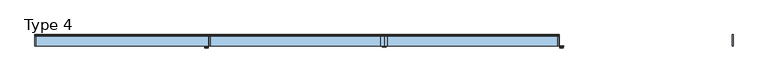
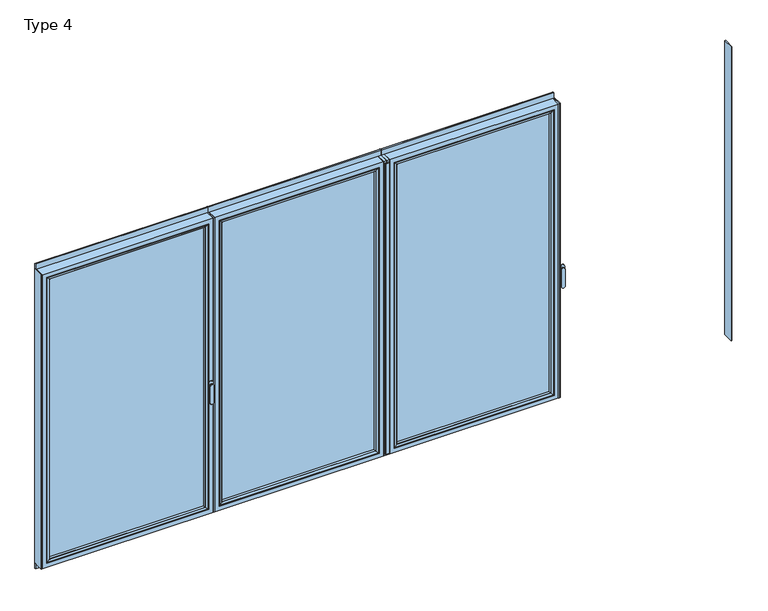
"""IFC4 building model written with IfcOpenShell, lengths in millimetres: window geometry, Type 4."""

from ifc_helpers import new_model, si_unit, point, frame, frame_2d, origin, place, context, project, spatial, polyline, circle_curve, ellipse_curve, trimmed, segment, composite_curve, outline, extrude, source, transform, mapped, element, save
from ifc_brep_helpers import plane_surface, cylinder_surface, extruded_surface, advanced_brep


def type_4_ae5d6732(model_context):
    return source(origin(), model_context, "Body", "SolidModel", [
        extrude(outline(polyline([(-1252.9999629, 20.0), (-1246.9999629, 20.0), (-1246.9999629, -60.0), (-1252.9999629, -60.0), (-1252.9999629, 20.0)])), frame((0.0, 0.0, 66.0), z_axis=(0.0, 0.0, 1.0), x_axis=(1.0, 0.0, 0.0)), (0.0, 0.0, 1.0), 2258.0),
        extrude(outline(polyline([(3.71e-05, 20.0), (3.71e-05, -60.0), (-22.4999629, -60.0), (-22.4999629, 20.0), (3.71e-05, 20.0)])), frame((0.0, 0.0, 66.0), z_axis=(0.0, 0.0, 1.0), x_axis=(1.0, 0.0, 0.0)), (0.0, 0.0, 1.0), 2258.0),
        advanced_brep(
        [(-1246.9999629, -60.0, 2324.0), (-1246.9999629, 20.0, 2324.0), (-1246.9999629, 20.0, 66.0), (-1246.9999629, -60.0, 66.0), (-22.4999629, 20.0, 66.0), (-22.4999629, -60.0, 66.0), (-22.4999629, 20.0, 2324.0), (-67.9995921, 20.0, 111.4996293), (-67.9995921, 20.0, 2278.5003707), (-1201.5003336, 20.0, 2278.5003707), (-1201.5003336, 20.0, 111.4996293), (-22.4999629, -60.0, 2324.0), (-1214.9999629, -60.0, 98.0), (-1214.9999629, -60.0, 2292.0), (-54.4999629, -60.0, 2292.0), (-54.4999629, -60.0, 98.0), (-1214.9999629, 3.9999997, 2292.0), (-1214.9999629, 3.9999997, 98.0), (-54.4999629, 3.9999997, 98.0), (-54.4999629, 3.9999997, 2292.0), (-1196.9999509, 3.9999997, 116.000012), (-1196.9999509, 3.9999997, 2273.999988), (-72.4999748, 3.9999997, 2273.999988), (-72.4999748, 3.9999997, 116.000012), (-1196.9999509, 15.4995565, 2273.999988), (-1196.9999509, 15.4995565, 116.000012), (-72.4999748, 15.4995565, 116.000012), (-72.4999748, 15.4995565, 2273.999988)],
        [
            (0, 1),
            (1, 2),
            (2, 3),
            (3, 0),
            (2, 4),
            (4, 5),
            (5, 3),
            (1, 6),
            (6, 4),
            (7, 8),
            (8, 9),
            (9, 10),
            (10, 7),
            (6, 11),
            (11, 5),
            (11, 0),
            (12, 13),
            (13, 14),
            (14, 15),
            (15, 12),
            (16, 13),
            (12, 17),
            (17, 16),
            (15, 18),
            (18, 17),
            (14, 19),
            (19, 18),
            (19, 16),
            (20, 21),
            (21, 22),
            (22, 23),
            (23, 20),
            (24, 21),
            (20, 25),
            (25, 24),
            (23, 26),
            (26, 25),
            (22, 27),
            (27, 26),
            (10, 25, ellipse_curve(frame((-1201.5003336, 15.4995565, 111.4996293), z_axis=(0.7071067811865475, 0.0, -0.7071067811865475), x_axis=(-0.7071067811865476, 0.0, -0.7071067811865474)), 6.3645023, 4.5003827)),
            (26, 7, ellipse_curve(frame((-67.9995921, 15.4995565, 111.4996293), z_axis=(-0.7071067811865475, 0.0, -0.7071067811865475), x_axis=(-0.7071067811865476, 0.0, 0.7071067811865474)), 6.3645023, 4.5003827)),
            (9, 24, ellipse_curve(frame((-1201.5003336, 15.4995565, 2278.5003707), z_axis=(-0.7071067811865475, 0.0, -0.7071067811865475), x_axis=(-0.7071067811865474, 0.0, 0.7071067811865476)), 6.3645023, 4.5003827)),
            (27, 8, ellipse_curve(frame((-67.9995921, 15.4995565, 2278.5003707), z_axis=(0.7071067811865475, 0.0, -0.7071067811865475), x_axis=(-0.7071067811865474, 0.0, -0.7071067811865476)), 6.3645023, 4.5003827)),
            (24, 27),
        ],
        [
            plane_surface(frame((-1246.9999629, 20.0, 2324.0), z_axis=(-1.0, 0.0, 0.0), x_axis=(0.0, 0.0, -1.0))),
            plane_surface(frame((-1246.9999629, 20.0, 66.0), z_axis=(0.0, 0.0, -1.0), x_axis=(1.0, 0.0, 0.0))),
            plane_surface(frame((-1201.5003336, 20.0, 2278.5003707), z_axis=(0.0, 1.0, 0.0), x_axis=(0.0, 0.0, -1.0))),
            plane_surface(frame((-22.4999629, 20.0, 66.0), z_axis=(1.0, 0.0, 0.0), x_axis=(0.0, 0.0, 1.0))),
            plane_surface(frame((-1246.9999629, -60.0, 2324.0), z_axis=(0.0, -1.0, 0.0), x_axis=(0.0, 0.0, -1.0))),
            plane_surface(frame((-1214.9999629, -60.0, 2292.0), z_axis=(1.0, 0.0, 0.0), x_axis=(0.0, 0.0, -1.0))),
            plane_surface(frame((-1214.9999629, -60.0, 98.0), z_axis=(0.0, 0.0, 1.0), x_axis=(1.0, 0.0, 0.0))),
            plane_surface(frame((-54.4999629, -60.0, 98.0), z_axis=(-1.0, 0.0, 0.0), x_axis=(0.0, 0.0, 1.0))),
            plane_surface(frame((-1214.9999629, 3.9999997, 2292.0), z_axis=(0.0, -1.0, 0.0), x_axis=(0.0, 0.0, -1.0))),
            plane_surface(frame((-1196.9999509, 3.9999997, 2273.999988), z_axis=(1.0, 0.0, 0.0), x_axis=(0.0, 0.0, -1.0))),
            plane_surface(frame((-1196.9999509, 3.9999997, 116.000012), z_axis=(0.0, 0.0, 1.0), x_axis=(1.0, 0.0, 0.0))),
            plane_surface(frame((-72.4999748, 3.9999997, 116.000012), z_axis=(-1.0, 0.0, 0.0), x_axis=(0.0, 0.0, 1.0))),
            cylinder_surface(frame((-1252.9999629, 15.4995565, 111.4996293), z_axis=(-1.0, 0.0, 0.0), x_axis=(0.0, -1.0, 0.0)), 4.5003827),
            cylinder_surface(frame((-1201.5003336, 15.4995565, 2330.0), z_axis=(0.0, 0.0, 1.0), x_axis=(0.0, -1.0, 0.0)), 4.5003827),
            cylinder_surface(frame((-67.9995921, 15.4995565, 60.0), z_axis=(0.0, 0.0, -1.0), x_axis=(0.0, -1.0, 0.0)), 4.5003827),
            plane_surface(frame((-22.4999629, 20.0, 2324.0), z_axis=(0.0, 0.0, 1.0), x_axis=(-1.0, 0.0, 0.0))),
            plane_surface(frame((-54.4999629, -60.0, 2292.0), z_axis=(0.0, 0.0, -1.0), x_axis=(-1.0, 0.0, 0.0))),
            plane_surface(frame((-72.4999748, 3.9999997, 2273.999988), z_axis=(0.0, 0.0, -1.0), x_axis=(-1.0, 0.0, 0.0))),
            cylinder_surface(frame((-16.4999629, 15.4995565, 2278.5003707), z_axis=(1.0, 0.0, 0.0), x_axis=(0.0, -1.0, 0.0)), 4.5003827),
        ],
        [
            (0, [[1, 2, 3, 4]]),
            (1, [[-3, 5, 6, 7]]),
            (2, [[-2, 8, 9, -5], [10, 11, 12, 13]]),
            (3, [[-6, -9, 14, 15]]),
            (4, [[-15, 16, -4, -7], [17, 18, 19, 20]]),
            (5, [[21, -17, 22, 23]]),
            (6, [[-22, -20, 24, 25]]),
            (7, [[-24, -19, 26, 27]]),
            (8, [[-27, 28, -23, -25], [29, 30, 31, 32]]),
            (9, [[33, -29, 34, 35]]),
            (10, [[-34, -32, 36, 37]]),
            (11, [[-36, -31, 38, 39]]),
            (12, [[40, -37, 41, -13]]),
            (13, [[42, -35, -40, -12]]),
            (14, [[-41, -39, 43, -10]]),
            (15, [[-14, -8, -1, -16]]),
            (16, [[-26, -18, -21, -28]]),
            (17, [[-38, -30, -33, 44]]),
            (18, [[-43, -44, -42, -11]]),
        ],
    ),
        extrude(outline(polyline([(-1214.9996457, 3.9999997), (-54.50028, 3.9999997), (-54.50028, -34.0000003), (-1214.9996457, -34.0000003), (-1214.9996457, 3.9999997)])), frame((0.0, 0.0, 98.0003172), z_axis=(0.0, 0.0, 1.0), x_axis=(1.0, 0.0, 0.0)), (0.0, 0.0, 1.0), 2193.9993657),
        advanced_brep(
        [(-76.4998528, -54.5552044, 2270.0001101), (-76.4998528, -34.0000003, 2270.0001101), (-76.4998528, -34.0000003, 119.9998899), (-76.4998528, -54.5552044, 119.9998899), (-54.50028, -34.0000003, 2291.9996828), (-54.50028, -34.0000003, 98.0003172), (-1214.9996457, -34.0000003, 98.0003172), (-1214.9996457, -34.0000003, 2291.9996828), (-1193.000073, -34.0000003, 2270.0001101), (-1193.000073, -34.0000003, 119.9998899), (-1193.000073, -54.5552044, 119.9998899), (-75.7903094, -55.8045072, 2270.7096535), (-75.7903094, -55.8045072, 119.2903465), (-1193.7096164, -55.8045072, 119.2903465), (-60.500219, -60.0, 2285.9997439), (-60.500219, -60.0, 104.0002561), (-1208.9997067, -60.0, 104.0002561), (-1214.9996457, -60.0, 2291.9996828), (-1214.9996457, -60.0, 98.0003172), (-54.50028, -60.0, 98.0003172), (-54.50028, -60.0, 2291.9996828), (-1208.9997067, -60.0, 2285.9997439), (-1193.000073, -54.5552044, 2270.0001101), (-1193.7096164, -55.8045072, 2270.7096535)],
        [
            (0, 1),
            (1, 2),
            (2, 3),
            (3, 0),
            (4, 5),
            (5, 6),
            (6, 7),
            (7, 4),
            (8, 9),
            (9, 2),
            (1, 8),
            (9, 10),
            (10, 3),
            (11, 0, ellipse_curve(frame((-75.0452488, -54.5552044, 2271.4547141), z_axis=(0.7071067811865475, 0.0, -0.7071067811865475), x_axis=(0.7071067811865474, 0.0, 0.7071067811865476)), 2.0571207, 1.454604)),
            (3, 12, ellipse_curve(frame((-75.0452488, -54.5552044, 118.5452859), z_axis=(0.7071067811865475, 0.0, 0.7071067811865475), x_axis=(-0.7071067811865474, 0.0, 0.7071067811865476)), 2.0571207, 1.454604)),
            (12, 11),
            (10, 13, ellipse_curve(frame((-1194.4546769, -54.5552044, 118.5452859), z_axis=(0.7071067811865475, 0.0, -0.7071067811865475), x_axis=(0.7071067811865476, 0.0, 0.7071067811865474)), 2.0571207, 1.454604)),
            (13, 12),
            (14, 11, ellipse_curve(frame((-60.5641546, -30.2735922, 2285.9358083), z_axis=(0.7071067811865475, 0.0, -0.7071067811865475), x_axis=(0.7071067811865474, 0.0, 0.7071067811865476)), 42.0395863, 29.7264765)),
            (12, 15, ellipse_curve(frame((-60.5641546, -30.2735922, 104.0641917), z_axis=(0.7071067811865475, 0.0, 0.7071067811865475), x_axis=(-0.7071067811865474, 0.0, 0.7071067811865476)), 42.0395863, 29.7264765)),
            (15, 14),
            (13, 16, ellipse_curve(frame((-1208.9357711, -30.2735922, 104.0641917), z_axis=(0.7071067811865475, 0.0, -0.7071067811865475), x_axis=(0.7071067811865476, 0.0, 0.7071067811865474)), 42.0395863, 29.7264765)),
            (16, 15),
            (17, 18),
            (18, 19),
            (19, 20),
            (20, 17),
            (16, 21),
            (21, 14),
            (4, 20),
            (19, 5),
            (18, 6),
            (8, 22),
            (22, 10),
            (22, 23, ellipse_curve(frame((-1194.4546769, -54.5552044, 2271.4547141), z_axis=(-0.7071067811865475, 0.0, -0.7071067811865475), x_axis=(0.7071067811865474, 0.0, -0.7071067811865476)), 2.0571207, 1.454604)),
            (23, 13),
            (23, 21, ellipse_curve(frame((-1208.9357711, -30.2735922, 2285.9358083), z_axis=(-0.7071067811865475, 0.0, -0.7071067811865475), x_axis=(0.7071067811865474, 0.0, -0.7071067811865476)), 42.0395863, 29.7264765)),
            (17, 7),
            (0, 22),
            (11, 23),
        ],
        [
            plane_surface(frame((-76.4998528, -34.0000003, 2270.0001101), z_axis=(-1.0, 0.0, 0.0), x_axis=(0.0, 0.0, -1.0))),
            plane_surface(frame((-1214.9996457, -34.0000003, 98.0003172), z_axis=(0.0, 1.0, 0.0), x_axis=(0.0, 0.0, 1.0))),
            plane_surface(frame((-76.4998528, -34.0000003, 119.9998899), z_axis=(0.0, 0.0, 1.0), x_axis=(-1.0, 0.0, 0.0))),
            cylinder_surface(frame((-75.0452488, -54.5552044, 2273.999988), z_axis=(0.0, 0.0, 1.0), x_axis=(1.0, 0.0, 0.0)), 1.454604),
            cylinder_surface(frame((-72.4999748, -54.5552044, 118.5452859), z_axis=(1.0, 0.0, 0.0), x_axis=(0.0, 0.0, -1.0)), 1.454604),
            cylinder_surface(frame((-60.5641546, -30.2735922, 2273.999988), z_axis=(0.0, 0.0, 1.0), x_axis=(1.0, 0.0, 0.0)), 29.7264765),
            cylinder_surface(frame((-72.4999748, -30.2735922, 104.0641917), z_axis=(1.0, 0.0, 0.0), x_axis=(0.0, 0.0, -1.0)), 29.7264765),
            plane_surface(frame((-1208.9997067, -60.0, 104.0002561), z_axis=(0.0, -1.0, 0.0), x_axis=(0.0, 0.0, 1.0))),
            plane_surface(frame((-54.50028, -60.0, 2291.9996828), z_axis=(1.0, 0.0, 0.0), x_axis=(0.0, 0.0, -1.0))),
            plane_surface(frame((-54.50028, -60.0, 98.0003172), z_axis=(0.0, 0.0, -1.0), x_axis=(-1.0, 0.0, 0.0))),
            plane_surface(frame((-1193.000073, -34.0000003, 119.9998899), z_axis=(1.0, 0.0, 0.0), x_axis=(0.0, 0.0, 1.0))),
            cylinder_surface(frame((-1194.4546769, -54.5552044, 116.000012), z_axis=(0.0, 0.0, -1.0), x_axis=(-1.0, 0.0, 0.0)), 1.454604),
            cylinder_surface(frame((-1208.9357711, -30.2735922, 116.000012), z_axis=(0.0, 0.0, -1.0), x_axis=(-1.0, 0.0, 0.0)), 29.7264765),
            plane_surface(frame((-1214.9996457, -60.0, 98.0003172), z_axis=(-1.0, 0.0, 0.0), x_axis=(0.0, 0.0, 1.0))),
            plane_surface(frame((-1193.000073, -34.0000003, 2270.0001101), z_axis=(0.0, 0.0, -1.0), x_axis=(1.0, 0.0, 0.0))),
            cylinder_surface(frame((-1196.9999509, -54.5552044, 2271.4547141), z_axis=(-1.0, 0.0, 0.0), x_axis=(0.0, 0.0, 1.0)), 1.454604),
            cylinder_surface(frame((-1196.9999509, -30.2735922, 2285.9358083), z_axis=(-1.0, 0.0, 0.0), x_axis=(0.0, 0.0, 1.0)), 29.7264765),
            plane_surface(frame((-1214.9996457, -60.0, 2291.9996828), z_axis=(0.0, 0.0, 1.0), x_axis=(1.0, 0.0, 0.0))),
        ],
        [
            (0, [[1, 2, 3, 4]]),
            (1, [[5, 6, 7, 8], [9, 10, -2, 11]]),
            (2, [[-3, -10, 12, 13]]),
            (3, [[14, -4, 15, 16]]),
            (4, [[-15, -13, 17, 18]]),
            (5, [[19, -16, 20, 21]]),
            (6, [[-20, -18, 22, 23]]),
            (7, [[24, 25, 26, 27], [-21, -23, 28, 29]]),
            (8, [[30, -26, 31, -5]]),
            (9, [[-31, -25, 32, -6]]),
            (10, [[-12, -9, 33, 34]]),
            (11, [[-17, -34, 35, 36]]),
            (12, [[-22, -36, 37, -28]]),
            (13, [[-32, -24, 38, -7]]),
            (14, [[-33, -11, -1, 39]]),
            (15, [[-35, -39, -14, 40]]),
            (16, [[-37, -40, -19, -29]]),
            (17, [[-38, -27, -30, -8]]),
        ],
    ),
        extrude(outline(composite_curve([segment(polyline([(20.0, 2362.5), (20.0, 2324.0), (10.0, 2324.0), (10.0, 2365.0), (17.5, 2365.0)]), True, "CONTINUOUS"), segment(trimmed(circle_curve(frame_2d((17.5, 2362.5)), 2.5), [point((17.5, 2365.0))], [point((20.0, 2362.5))], False, "CARTESIAN"), True, "CONTINUOUS")], self_intersect=False)), frame((-1252.9999629, 0.0, 0.0), z_axis=(1.0, 0.0, 0.0), x_axis=(0.0, 1.0, 0.0)), (0.0, 0.0, 1.0), 1253.0),
        extrude(outline(composite_curve([segment(trimmed(circle_curve(frame_2d((17.5, 27.5)), 2.5), [point((20.0, 27.5))], [point((17.5, 25.0))], False, "CARTESIAN"), True, "CONTINUOUS"), segment(polyline([(17.5, 25.0), (10.0, 25.0), (10.0, 66.0), (20.0, 66.0), (20.0, 27.5)]), True, "CONTINUOUS")], self_intersect=False)), frame((-1252.9999629, 0.0, 0.0), z_axis=(1.0, 0.0, 0.0), x_axis=(0.0, 1.0, 0.0)), (0.0, 0.0, 1.0), 1253.0),
        extrude(outline(composite_curve([segment(polyline([(17.5000124, -60.0), (17.5000124, -67.5)]), True, "CONTINUOUS"), segment(trimmed(circle_curve(frame_2d((15.0000124, -67.5)), 2.5), [point((17.5000124, -67.5))], [point((15.0000124, -70.0))], False, "CARTESIAN"), True, "CONTINUOUS"), segment(polyline([(15.0000124, -70.0), (-10.9999876, -70.0)]), True, "CONTINUOUS"), segment(trimmed(circle_curve(frame_2d((-10.9999876, -67.5)), 2.5), [point((-10.9999876, -70.0))], [point((-13.4999876, -67.5))], False, "CARTESIAN"), True, "CONTINUOUS"), segment(polyline([(-13.4999876, -67.5), (-13.4999876, -60.0), (17.5000124, -60.0)]), True, "CONTINUOUS")], self_intersect=False)), frame((0.0, 0.0, 80.0), z_axis=(0.0, 0.0, 1.0), x_axis=(1.0, 0.0, 0.0)), (0.0, 0.0, 1.0), 2230.0),
        extrude(outline(polyline([(1253.0000124, 20.0), (1253.0000124, -60.0), (1247.0000124, -60.0), (1247.0000124, 20.0), (1253.0000124, 20.0)])), frame((0.0, 0.0, 66.0), z_axis=(0.0, 0.0, 1.0), x_axis=(1.0, 0.0, 0.0)), (0.0, 0.0, 1.0), 2258.0),
        extrude(outline(polyline([(1.24e-05, 20.0), (22.5000124, 20.0), (22.5000124, -60.0), (1.24e-05, -60.0), (1.24e-05, 20.0)])), frame((0.0, 0.0, 66.0), z_axis=(0.0, 0.0, 1.0), x_axis=(1.0, 0.0, 0.0)), (0.0, 0.0, 1.0), 2258.0),
        advanced_brep(
        [(1247.0000124, -60.0, 2324.0), (1247.0000124, -60.0, 66.0), (1247.0000124, 20.0, 66.0), (1247.0000124, 20.0, 2324.0), (22.5000124, -60.0, 66.0), (22.5000124, 20.0, 66.0), (22.5000124, 20.0, 2324.0), (67.9996416, 20.0, 111.4996293), (1201.5003831, 20.0, 111.4996293), (1201.5003831, 20.0, 2278.5003707), (67.9996416, 20.0, 2278.5003707), (22.5000124, -60.0, 2324.0), (1215.0000124, -60.0, 98.0), (54.5000124, -60.0, 98.0), (54.5000124, -60.0, 2292.0), (1215.0000124, -60.0, 2292.0), (1215.0000124, 3.9999997, 2292.0), (1215.0000124, 3.9999997, 98.0), (54.5000124, 3.9999997, 98.0), (54.5000124, 3.9999997, 2292.0), (1197.0000004, 3.9999997, 116.000012), (72.5000243, 3.9999997, 116.000012), (72.5000243, 3.9999997, 2273.999988), (1197.0000004, 3.9999997, 2273.999988), (1197.0000004, 15.4995565, 2273.999988), (1197.0000004, 15.4995565, 116.000012), (72.5000243, 15.4995565, 116.000012), (72.5000243, 15.4995565, 2273.999988)],
        [
            (0, 1),
            (1, 2),
            (2, 3),
            (3, 0),
            (1, 4),
            (4, 5),
            (5, 2),
            (5, 6),
            (6, 3),
            (7, 8),
            (8, 9),
            (9, 10),
            (10, 7),
            (4, 11),
            (11, 6),
            (0, 11),
            (12, 13),
            (13, 14),
            (14, 15),
            (15, 12),
            (16, 17),
            (17, 12),
            (15, 16),
            (17, 18),
            (18, 13),
            (18, 19),
            (19, 14),
            (16, 19),
            (20, 21),
            (21, 22),
            (22, 23),
            (23, 20),
            (24, 25),
            (25, 20),
            (23, 24),
            (25, 26),
            (26, 21),
            (26, 27),
            (27, 22),
            (7, 26, ellipse_curve(frame((67.9996416, 15.4995565, 111.4996293), z_axis=(0.7071067811865475, 0.0, -0.7071067811865475), x_axis=(0.7071067811865476, 0.0, 0.7071067811865474)), 6.3645023, 4.5003827)),
            (25, 8, ellipse_curve(frame((1201.5003831, 15.4995565, 111.4996293), z_axis=(-0.7071067811865475, 0.0, -0.7071067811865475), x_axis=(0.7071067811865476, 0.0, -0.7071067811865474)), 6.3645023, 4.5003827)),
            (24, 9, ellipse_curve(frame((1201.5003831, 15.4995565, 2278.5003707), z_axis=(0.7071067811865475, 0.0, -0.7071067811865475), x_axis=(0.7071067811865474, 0.0, 0.7071067811865476)), 6.3645023, 4.5003827)),
            (10, 27, ellipse_curve(frame((67.9996416, 15.4995565, 2278.5003707), z_axis=(-0.7071067811865475, 0.0, -0.7071067811865475), x_axis=(0.7071067811865474, 0.0, -0.7071067811865476)), 6.3645023, 4.5003827)),
            (27, 24),
        ],
        [
            plane_surface(frame((1247.0000124, 20.0, 2324.0), z_axis=(1.0, 0.0, 0.0), x_axis=(0.0, 0.0, -1.0))),
            plane_surface(frame((1247.0000124, 20.0, 66.0), z_axis=(0.0, 0.0, -1.0), x_axis=(-1.0, 0.0, 0.0))),
            plane_surface(frame((1201.5003831, 20.0, 2278.5003707), z_axis=(0.0, 1.0, 0.0), x_axis=(0.0, 0.0, -1.0))),
            plane_surface(frame((22.5000124, 20.0, 66.0), z_axis=(-1.0, 0.0, 0.0), x_axis=(0.0, 0.0, 1.0))),
            plane_surface(frame((1247.0000124, -60.0, 2324.0), z_axis=(0.0, -1.0, 0.0), x_axis=(0.0, 0.0, -1.0))),
            plane_surface(frame((1215.0000124, -60.0, 2292.0), z_axis=(-1.0, 0.0, 0.0), x_axis=(0.0, 0.0, -1.0))),
            plane_surface(frame((1215.0000124, -60.0, 98.0), z_axis=(0.0, 0.0, 1.0), x_axis=(-1.0, 0.0, 0.0))),
            plane_surface(frame((54.5000124, -60.0, 98.0), z_axis=(1.0, 0.0, 0.0), x_axis=(0.0, 0.0, 1.0))),
            plane_surface(frame((1215.0000124, 3.9999997, 2292.0), z_axis=(0.0, -1.0, 0.0), x_axis=(0.0, 0.0, -1.0))),
            plane_surface(frame((1197.0000004, 3.9999997, 2273.999988), z_axis=(-1.0, 0.0, 0.0), x_axis=(0.0, 0.0, -1.0))),
            plane_surface(frame((1197.0000004, 3.9999997, 116.000012), z_axis=(0.0, 0.0, 1.0), x_axis=(-1.0, 0.0, 0.0))),
            plane_surface(frame((72.5000243, 3.9999997, 116.000012), z_axis=(1.0, 0.0, 0.0), x_axis=(0.0, 0.0, 1.0))),
            cylinder_surface(frame((1253.0000124, 15.4995565, 111.4996293), z_axis=(1.0, 0.0, 0.0), x_axis=(0.0, -1.0, 0.0)), 4.5003827),
            cylinder_surface(frame((1201.5003831, 15.4995565, 2330.0), z_axis=(0.0, 0.0, 1.0), x_axis=(0.0, -1.0, 0.0)), 4.5003827),
            cylinder_surface(frame((67.9996416, 15.4995565, 60.0), z_axis=(0.0, 0.0, -1.0), x_axis=(0.0, -1.0, 0.0)), 4.5003827),
            plane_surface(frame((22.5000124, 20.0, 2324.0), z_axis=(0.0, 0.0, 1.0), x_axis=(1.0, 0.0, 0.0))),
            plane_surface(frame((54.5000124, -60.0, 2292.0), z_axis=(0.0, 0.0, -1.0), x_axis=(1.0, 0.0, 0.0))),
            plane_surface(frame((72.5000243, 3.9999997, 2273.999988), z_axis=(0.0, 0.0, -1.0), x_axis=(1.0, 0.0, 0.0))),
            cylinder_surface(frame((16.5000124, 15.4995565, 2278.5003707), z_axis=(-1.0, 0.0, 0.0), x_axis=(0.0, -1.0, 0.0)), 4.5003827),
        ],
        [
            (0, [[1, 2, 3, 4]]),
            (1, [[5, 6, 7, -2]]),
            (2, [[-7, 8, 9, -3], [10, 11, 12, 13]]),
            (3, [[14, 15, -8, -6]]),
            (4, [[-5, -1, 16, -14], [17, 18, 19, 20]]),
            (5, [[21, 22, -20, 23]]),
            (6, [[24, 25, -17, -22]]),
            (7, [[26, 27, -18, -25]]),
            (8, [[-24, -21, 28, -26], [29, 30, 31, 32]]),
            (9, [[33, 34, -32, 35]]),
            (10, [[36, 37, -29, -34]]),
            (11, [[38, 39, -30, -37]]),
            (12, [[-10, 40, -36, 41]]),
            (13, [[-11, -41, -33, 42]]),
            (14, [[-13, 43, -38, -40]]),
            (15, [[-16, -4, -9, -15]]),
            (16, [[-28, -23, -19, -27]]),
            (17, [[44, -35, -31, -39]]),
            (18, [[-12, -42, -44, -43]]),
        ],
    ),
        extrude(outline(polyline([(1214.9996952, 3.9999997), (1214.9996952, -34.0000003), (54.5003295, -34.0000003), (54.5003295, 3.9999997), (1214.9996952, 3.9999997)])), frame((0.0, 0.0, 98.0003172), z_axis=(0.0, 0.0, 1.0), x_axis=(1.0, 0.0, 0.0)), (0.0, 0.0, 1.0), 2193.9993657),
        advanced_brep(
        [(76.4999023, -54.5552044, 2270.0001101), (76.4999023, -54.5552044, 119.9998899), (76.4999023, -34.0000003, 119.9998899), (76.4999023, -34.0000003, 2270.0001101), (54.5003295, -34.0000003, 2291.9996828), (1214.9996952, -34.0000003, 2291.9996828), (1214.9996952, -34.0000003, 98.0003172), (54.5003295, -34.0000003, 98.0003172), (1193.0001225, -34.0000003, 2270.0001101), (1193.0001225, -34.0000003, 119.9998899), (1193.0001225, -54.5552044, 119.9998899), (75.7903589, -55.8045072, 2270.7096535), (75.7903589, -55.8045072, 119.2903465), (1193.7096659, -55.8045072, 119.2903465), (60.5002685, -60.0, 2285.9997439), (60.5002685, -60.0, 104.0002561), (1208.9997563, -60.0, 104.0002561), (1214.9996952, -60.0, 2291.9996828), (54.5003295, -60.0, 2291.9996828), (54.5003295, -60.0, 98.0003172), (1214.9996952, -60.0, 98.0003172), (1208.9997563, -60.0, 2285.9997439), (1193.0001225, -54.5552044, 2270.0001101), (1193.7096659, -55.8045072, 2270.7096535)],
        [
            (0, 1),
            (1, 2),
            (2, 3),
            (3, 0),
            (4, 5),
            (5, 6),
            (6, 7),
            (7, 4),
            (8, 3),
            (2, 9),
            (9, 8),
            (1, 10),
            (10, 9),
            (11, 12),
            (12, 1, ellipse_curve(frame((75.0452983, -54.5552044, 118.5452859), z_axis=(-0.7071067811865475, 0.0, 0.7071067811865475), x_axis=(0.7071067811865474, 0.0, 0.7071067811865476)), 2.0571207, 1.454604)),
            (0, 11, ellipse_curve(frame((75.0452983, -54.5552044, 2271.4547141), z_axis=(-0.7071067811865475, 0.0, -0.7071067811865475), x_axis=(-0.7071067811865474, 0.0, 0.7071067811865476)), 2.0571207, 1.454604)),
            (12, 13),
            (13, 10, ellipse_curve(frame((1194.4547264, -54.5552044, 118.5452859), z_axis=(-0.7071067811865475, 0.0, -0.7071067811865475), x_axis=(-0.7071067811865476, 0.0, 0.7071067811865474)), 2.0571207, 1.454604)),
            (14, 15),
            (15, 12, ellipse_curve(frame((60.5642041, -30.2735922, 104.0641917), z_axis=(-0.7071067811865475, 0.0, 0.7071067811865475), x_axis=(0.7071067811865474, 0.0, 0.7071067811865476)), 42.0395863, 29.7264765)),
            (11, 14, ellipse_curve(frame((60.5642041, -30.2735922, 2285.9358083), z_axis=(-0.7071067811865475, 0.0, -0.7071067811865475), x_axis=(-0.7071067811865474, 0.0, 0.7071067811865476)), 42.0395863, 29.7264765)),
            (15, 16),
            (16, 13, ellipse_curve(frame((1208.9358207, -30.2735922, 104.0641917), z_axis=(-0.7071067811865475, 0.0, -0.7071067811865475), x_axis=(-0.7071067811865476, 0.0, 0.7071067811865474)), 42.0395863, 29.7264765)),
            (17, 18),
            (18, 19),
            (19, 20),
            (20, 17),
            (14, 21),
            (21, 16),
            (7, 19),
            (18, 4),
            (6, 20),
            (10, 22),
            (22, 8),
            (13, 23),
            (23, 22, ellipse_curve(frame((1194.4547264, -54.5552044, 2271.4547141), z_axis=(0.7071067811865475, 0.0, -0.7071067811865475), x_axis=(-0.7071067811865474, 0.0, -0.7071067811865476)), 2.0571207, 1.454604)),
            (21, 23, ellipse_curve(frame((1208.9358207, -30.2735922, 2285.9358083), z_axis=(0.7071067811865475, 0.0, -0.7071067811865475), x_axis=(-0.7071067811865474, 0.0, -0.7071067811865476)), 42.0395863, 29.7264765)),
            (5, 17),
            (22, 0),
            (23, 11),
        ],
        [
            plane_surface(frame((76.4999023, -34.0000003, 2270.0001101), z_axis=(1.0, 0.0, 0.0), x_axis=(0.0, 0.0, -1.0))),
            plane_surface(frame((1214.9996952, -34.0000003, 98.0003172), z_axis=(0.0, 1.0, 0.0), x_axis=(0.0, 0.0, 1.0))),
            plane_surface(frame((76.4999023, -34.0000003, 119.9998899), z_axis=(0.0, 0.0, 1.0), x_axis=(1.0, 0.0, 0.0))),
            cylinder_surface(frame((75.0452983, -54.5552044, 2273.999988), z_axis=(0.0, 0.0, 1.0), x_axis=(-1.0, 0.0, 0.0)), 1.454604),
            cylinder_surface(frame((72.5000243, -54.5552044, 118.5452859), z_axis=(-1.0, 0.0, 0.0), x_axis=(0.0, 0.0, -1.0)), 1.454604),
            cylinder_surface(frame((60.5642041, -30.2735922, 2273.999988), z_axis=(0.0, 0.0, 1.0), x_axis=(-1.0, 0.0, 0.0)), 29.7264765),
            cylinder_surface(frame((72.5000243, -30.2735922, 104.0641917), z_axis=(-1.0, 0.0, 0.0), x_axis=(0.0, 0.0, -1.0)), 29.7264765),
            plane_surface(frame((1208.9997563, -60.0, 104.0002561), z_axis=(0.0, -1.0, 0.0), x_axis=(0.0, 0.0, 1.0))),
            plane_surface(frame((54.5003295, -60.0, 2291.9996828), z_axis=(-1.0, 0.0, 0.0), x_axis=(0.0, 0.0, -1.0))),
            plane_surface(frame((54.5003295, -60.0, 98.0003172), z_axis=(0.0, 0.0, -1.0), x_axis=(1.0, 0.0, 0.0))),
            plane_surface(frame((1193.0001225, -34.0000003, 119.9998899), z_axis=(-1.0, 0.0, 0.0), x_axis=(0.0, 0.0, 1.0))),
            cylinder_surface(frame((1194.4547264, -54.5552044, 116.000012), z_axis=(0.0, 0.0, -1.0), x_axis=(1.0, 0.0, 0.0)), 1.454604),
            cylinder_surface(frame((1208.9358207, -30.2735922, 116.000012), z_axis=(0.0, 0.0, -1.0), x_axis=(1.0, 0.0, 0.0)), 29.7264765),
            plane_surface(frame((1214.9996952, -60.0, 98.0003172), z_axis=(1.0, 0.0, 0.0), x_axis=(0.0, 0.0, 1.0))),
            plane_surface(frame((1193.0001225, -34.0000003, 2270.0001101), z_axis=(0.0, 0.0, -1.0), x_axis=(-1.0, 0.0, 0.0))),
            cylinder_surface(frame((1197.0000004, -54.5552044, 2271.4547141), z_axis=(1.0, 0.0, 0.0), x_axis=(0.0, 0.0, 1.0)), 1.454604),
            cylinder_surface(frame((1197.0000004, -30.2735922, 2285.9358083), z_axis=(1.0, 0.0, 0.0), x_axis=(0.0, 0.0, 1.0)), 29.7264765),
            plane_surface(frame((1214.9996952, -60.0, 2291.9996828), z_axis=(0.0, 0.0, 1.0), x_axis=(-1.0, 0.0, 0.0))),
        ],
        [
            (0, [[1, 2, 3, 4]]),
            (1, [[5, 6, 7, 8], [9, -3, 10, 11]]),
            (2, [[12, 13, -10, -2]]),
            (3, [[14, 15, -1, 16]]),
            (4, [[17, 18, -12, -15]]),
            (5, [[19, 20, -14, 21]]),
            (6, [[22, 23, -17, -20]]),
            (7, [[24, 25, 26, 27], [28, 29, -22, -19]]),
            (8, [[-8, 30, -25, 31]]),
            (9, [[-7, 32, -26, -30]]),
            (10, [[33, 34, -11, -13]]),
            (11, [[35, 36, -33, -18]]),
            (12, [[-29, 37, -35, -23]]),
            (13, [[-6, 38, -27, -32]]),
            (14, [[39, -4, -9, -34]]),
            (15, [[40, -16, -39, -36]]),
            (16, [[-28, -21, -40, -37]]),
            (17, [[-5, -31, -24, -38]]),
        ],
    ),
        extrude(outline(composite_curve([segment(polyline([(20.0, 2362.5), (20.0, 2324.0), (10.0, 2324.0), (10.0, 2365.0), (17.5, 2365.0)]), True, "CONTINUOUS"), segment(trimmed(circle_curve(frame_2d((17.5, 2362.5)), 2.5), [point((17.5, 2365.0))], [point((20.0, 2362.5))], False, "CARTESIAN"), True, "CONTINUOUS")], self_intersect=False)), frame((1.24e-05, 0.0, 0.0), z_axis=(1.0, 0.0, 0.0), x_axis=(0.0, 1.0, 0.0)), (0.0, 0.0, 1.0), 1253.0),
        extrude(outline(composite_curve([segment(trimmed(circle_curve(frame_2d((17.5, 27.5)), 2.5), [point((20.0, 27.5))], [point((17.5, 25.0))], False, "CARTESIAN"), True, "CONTINUOUS"), segment(polyline([(17.5, 25.0), (10.0, 25.0), (10.0, 66.0), (20.0, 66.0), (20.0, 27.5)]), True, "CONTINUOUS")], self_intersect=False)), frame((1.24e-05, 0.0, 0.0), z_axis=(1.0, 0.0, 0.0), x_axis=(0.0, 1.0, 0.0)), (0.0, 0.0, 1.0), 1253.0),
        advanced_brep(
        [(-1286.9885813, -63.5, 1050.0), (-1263.0113197, -63.5, 1050.0), (-1263.0113197, -66.8965533, 1050.0), (-1286.9885813, -66.8965533, 1050.0), (-1286.9885813, -74.5, 1050.0), (-1286.9885813, -74.5, 918.6867153), (-1263.0113197, -74.5, 918.6867153), (-1263.0113197, -74.5, 1050.0), (-1263.0113197, -66.8965533, 918.6867153), (-1286.9885813, -66.8965533, 918.6867153)],
        [
            (0, 1, circle_curve(frame((-1274.9999505, -63.5, 1050.0), z_axis=(0.0, 1.0, 0.0), x_axis=(1.0, 0.0, 0.0)), 11.9886308)),
            (1, 0, circle_curve(frame((-1274.9999505, -63.5, 1050.0), z_axis=(0.0, 1.0, 0.0), x_axis=(1.0, 0.0, 0.0)), 11.9886308)),
            (1, 2),
            (2, 3, circle_curve(frame((-1274.9999505, -66.8965533, 1050.0), z_axis=(0.0, 1.0, 0.0), x_axis=(1.0, 0.0, 0.0)), 11.9886308)),
            (3, 0),
            (3, 2, circle_curve(frame((-1274.9999505, -66.8965533, 1050.0), z_axis=(0.0, 1.0, 0.0), x_axis=(1.0, 0.0, 0.0)), 11.9886308)),
            (4, 5),
            (5, 6, ellipse_curve(frame((-1274.9999505, -74.5, 918.6867153), z_axis=(0.0, -1.0, 0.0), x_axis=(-1.0, 0.0, 0.0)), 11.9886308, 7.9050795)),
            (6, 7),
            (7, 4, circle_curve(frame((-1274.9999505, -74.5, 1050.0), z_axis=(0.0, -1.0, 0.0), x_axis=(1.0, 0.0, 0.0)), 11.9886308)),
            (2, 8),
            (8, 9, ellipse_curve(frame((-1274.9999505, -66.8965533, 918.6867153), z_axis=(0.0, 1.0, 0.0), x_axis=(-1.0, 0.0, 0.0)), 11.9886308, 7.9050795)),
            (9, 3),
            (4, 3),
            (9, 5),
            (8, 6),
            (2, 7),
        ],
        [
            plane_surface(frame((-1263.0113197, -63.5, 1050.0), z_axis=(0.0, 1.0, 0.0), x_axis=(0.0, 0.0, -1.0))),
            cylinder_surface(frame((-1274.9999505, -63.5, 1050.0), z_axis=(0.0, -1.0, 0.0), x_axis=(1.0, 0.0, 0.0)), 11.9886308),
            plane_surface(frame((-1286.9885813, -74.5, 928.3382074), z_axis=(0.0, -1.0, 0.0), x_axis=(0.0, 0.0, -1.0))),
            plane_surface(frame((-1286.9885813, -66.8965533, 928.3382074), z_axis=(0.0, 1.0, 0.0), x_axis=(0.0, 0.0, 1.0))),
            plane_surface(frame((-1286.9885813, -74.5, 1050.0), z_axis=(-1.0, 0.0, 0.0), x_axis=(0.0, 1.0, 0.0))),
            extruded_surface(trimmed(ellipse_curve(frame((-1274.9999505, -59.2931066, 918.6867153), z_axis=(0.0, -1.0, 0.0), x_axis=(-1.0, 0.0, 0.0)), 11.9886308, 7.9050795), [point((-1286.9885813, -59.2931066, 918.6867153))], [point((-1263.0113197, -59.2931066, 918.6867153))], True, "CARTESIAN"), (0.0, -7.603446699999992, 0.0), 7.603446699999992),
            plane_surface(frame((-1263.0113197, -74.5, 918.6867153), z_axis=(1.0, 0.0, 0.0), x_axis=(0.0, 1.0, 0.0))),
            cylinder_surface(frame((-1274.9999505, -66.8965533, 1050.0), z_axis=(0.0, -1.0, 0.0), x_axis=(1.0, 0.0, 0.0)), 11.9886308),
        ],
        [
            (0, [[1, 2]]),
            (1, [[-2, 3, 4, 5]]),
            (1, [[-1, -5, 6, -3]]),
            (2, [[7, 8, 9, 10]]),
            (3, [[11, 12, 13, -4]]),
            (4, [[-7, 14, -13, 15]]),
            (5, [[-8, -15, -12, 16]]),
            (6, [[-9, -16, -11, 17]]),
            (7, [[-10, -17, -6, -14]]),
        ],
    ),
        extrude(outline(composite_curve([segment(polyline([(1068.75, -1288.9999505), (1031.25, -1288.9999505)]), True, "CONTINUOUS"), segment(trimmed(circle_curve(frame_2d((1031.25, -1274.9999505)), 14.0), [point((1031.25, -1288.9999505))], [point((1031.25, -1260.9999505))], False, "CARTESIAN"), True, "CONTINUOUS"), segment(polyline([(1031.25, -1260.9999505), (1068.75, -1260.9999505)]), True, "CONTINUOUS"), segment(trimmed(circle_curve(frame_2d((1068.75, -1274.9999505)), 14.0), [point((1068.75, -1260.9999505))], [point((1068.75, -1288.9999505))], False, "CARTESIAN"), True, "CONTINUOUS")], self_intersect=False)), frame((0.0, -63.5, 0.0), z_axis=(0.0, 1.0, 0.0), x_axis=(0.0, 0.0, 1.0)), (0.0, 0.0, 1.0), 3.5),
        extrude(outline(polyline([(-2505.9999505, 20.0), (-2499.9999505, 20.0), (-2499.9999505, -60.0), (-2505.9999505, -60.0), (-2505.9999505, 20.0)])), frame((0.0, 0.0, 66.0), z_axis=(0.0, 0.0, 1.0), x_axis=(1.0, 0.0, 0.0)), (0.0, 0.0, 1.0), 2258.0),
        extrude(outline(polyline([(-1252.9999505, 20.0), (-1252.9999505, -60.0), (-1258.9999505, -60.0), (-1258.9999505, 20.0), (-1252.9999505, 20.0)])), frame((0.0, 0.0, 66.0), z_axis=(0.0, 0.0, 1.0), x_axis=(1.0, 0.0, 0.0)), (0.0, 0.0, 1.0), 2258.0),
        advanced_brep(
        [(-2499.9999505, -60.0, 2324.0), (-2499.9999505, 20.0, 2324.0), (-2499.9999505, 20.0, 66.0), (-2499.9999505, -60.0, 66.0), (-1258.9999505, 20.0, 66.0), (-1258.9999505, -60.0, 66.0), (-1258.9999505, 20.0, 2324.0), (-1304.4995798, 20.0, 111.4996293), (-1304.4995798, 20.0, 2278.5003707), (-2454.5003212, 20.0, 2278.5003707), (-2454.5003212, 20.0, 111.4996293), (-1258.9999505, -60.0, 2324.0), (-2467.9999505, -60.0, 98.0), (-2467.9999505, -60.0, 2292.0), (-1290.9999505, -60.0, 2292.0), (-1290.9999505, -60.0, 98.0), (-2467.9999505, 3.9999997, 2292.0), (-2467.9999505, 3.9999997, 98.0), (-1290.9999505, 3.9999997, 98.0), (-1290.9999505, 3.9999997, 2292.0), (-2449.9999385, 3.9999997, 116.000012), (-2449.9999385, 3.9999997, 2273.999988), (-1308.9999624, 3.9999997, 2273.999988), (-1308.9999624, 3.9999997, 116.000012), (-2449.9999385, 15.4995565, 2273.999988), (-2449.9999385, 15.4995565, 116.000012), (-1308.9999624, 15.4995565, 116.000012), (-1308.9999624, 15.4995565, 2273.999988)],
        [
            (0, 1),
            (1, 2),
            (2, 3),
            (3, 0),
            (2, 4),
            (4, 5),
            (5, 3),
            (1, 6),
            (6, 4),
            (7, 8),
            (8, 9),
            (9, 10),
            (10, 7),
            (6, 11),
            (11, 5),
            (11, 0),
            (12, 13),
            (13, 14),
            (14, 15),
            (15, 12),
            (16, 13),
            (12, 17),
            (17, 16),
            (15, 18),
            (18, 17),
            (14, 19),
            (19, 18),
            (19, 16),
            (20, 21),
            (21, 22),
            (22, 23),
            (23, 20),
            (24, 21),
            (20, 25),
            (25, 24),
            (23, 26),
            (26, 25),
            (22, 27),
            (27, 26),
            (10, 25, ellipse_curve(frame((-2454.5003212, 15.4995565, 111.4996293), z_axis=(0.7071067811865475, 0.0, -0.7071067811865475), x_axis=(-0.7071067811865476, 0.0, -0.7071067811865474)), 6.3645023, 4.5003827)),
            (26, 7, ellipse_curve(frame((-1304.4995798, 15.4995565, 111.4996293), z_axis=(-0.7071067811865475, 0.0, -0.7071067811865475), x_axis=(-0.7071067811865476, 0.0, 0.7071067811865474)), 6.3645023, 4.5003827)),
            (9, 24, ellipse_curve(frame((-2454.5003212, 15.4995565, 2278.5003707), z_axis=(-0.7071067811865475, 0.0, -0.7071067811865475), x_axis=(-0.7071067811865474, 0.0, 0.7071067811865476)), 6.3645023, 4.5003827)),
            (27, 8, ellipse_curve(frame((-1304.4995798, 15.4995565, 2278.5003707), z_axis=(0.7071067811865475, 0.0, -0.7071067811865475), x_axis=(-0.7071067811865474, 0.0, -0.7071067811865476)), 6.3645023, 4.5003827)),
            (24, 27),
        ],
        [
            plane_surface(frame((-2499.9999505, 20.0, 2324.0), z_axis=(-1.0, 0.0, 0.0), x_axis=(0.0, 0.0, -1.0))),
            plane_surface(frame((-2499.9999505, 20.0, 66.0), z_axis=(0.0, 0.0, -1.0), x_axis=(1.0, 0.0, 0.0))),
            plane_surface(frame((-2454.5003212, 20.0, 2278.5003707), z_axis=(0.0, 1.0, 0.0), x_axis=(0.0, 0.0, -1.0))),
            plane_surface(frame((-1258.9999505, 20.0, 66.0), z_axis=(1.0, 0.0, 0.0), x_axis=(0.0, 0.0, 1.0))),
            plane_surface(frame((-2499.9999505, -60.0, 2324.0), z_axis=(0.0, -1.0, 0.0), x_axis=(0.0, 0.0, -1.0))),
            plane_surface(frame((-2467.9999505, -60.0, 2292.0), z_axis=(1.0, 0.0, 0.0), x_axis=(0.0, 0.0, -1.0))),
            plane_surface(frame((-2467.9999505, -60.0, 98.0), z_axis=(0.0, 0.0, 1.0), x_axis=(1.0, 0.0, 0.0))),
            plane_surface(frame((-1290.9999505, -60.0, 98.0), z_axis=(-1.0, 0.0, 0.0), x_axis=(0.0, 0.0, 1.0))),
            plane_surface(frame((-2467.9999505, 3.9999997, 2292.0), z_axis=(0.0, -1.0, 0.0), x_axis=(0.0, 0.0, -1.0))),
            plane_surface(frame((-2449.9999385, 3.9999997, 2273.999988), z_axis=(1.0, 0.0, 0.0), x_axis=(0.0, 0.0, -1.0))),
            plane_surface(frame((-2449.9999385, 3.9999997, 116.000012), z_axis=(0.0, 0.0, 1.0), x_axis=(1.0, 0.0, 0.0))),
            plane_surface(frame((-1308.9999624, 3.9999997, 116.000012), z_axis=(-1.0, 0.0, 0.0), x_axis=(0.0, 0.0, 1.0))),
            cylinder_surface(frame((-2505.9999505, 15.4995565, 111.4996293), z_axis=(-1.0, 0.0, 0.0), x_axis=(0.0, -1.0, 0.0)), 4.5003827),
            cylinder_surface(frame((-2454.5003212, 15.4995565, 2330.0), z_axis=(0.0, 0.0, 1.0), x_axis=(0.0, -1.0, 0.0)), 4.5003827),
            cylinder_surface(frame((-1304.4995798, 15.4995565, 60.0), z_axis=(0.0, 0.0, -1.0), x_axis=(0.0, -1.0, 0.0)), 4.5003827),
            plane_surface(frame((-1258.9999505, 20.0, 2324.0), z_axis=(0.0, 0.0, 1.0), x_axis=(-1.0, 0.0, 0.0))),
            plane_surface(frame((-1290.9999505, -60.0, 2292.0), z_axis=(0.0, 0.0, -1.0), x_axis=(-1.0, 0.0, 0.0))),
            plane_surface(frame((-1308.9999624, 3.9999997, 2273.999988), z_axis=(0.0, 0.0, -1.0), x_axis=(-1.0, 0.0, 0.0))),
            cylinder_surface(frame((-1252.9999505, 15.4995565, 2278.5003707), z_axis=(1.0, 0.0, 0.0), x_axis=(0.0, -1.0, 0.0)), 4.5003827),
        ],
        [
            (0, [[1, 2, 3, 4]]),
            (1, [[-3, 5, 6, 7]]),
            (2, [[-2, 8, 9, -5], [10, 11, 12, 13]]),
            (3, [[-6, -9, 14, 15]]),
            (4, [[-15, 16, -4, -7], [17, 18, 19, 20]]),
            (5, [[21, -17, 22, 23]]),
            (6, [[-22, -20, 24, 25]]),
            (7, [[-24, -19, 26, 27]]),
            (8, [[-27, 28, -23, -25], [29, 30, 31, 32]]),
            (9, [[33, -29, 34, 35]]),
            (10, [[-34, -32, 36, 37]]),
            (11, [[-36, -31, 38, 39]]),
            (12, [[40, -37, 41, -13]]),
            (13, [[42, -35, -40, -12]]),
            (14, [[-41, -39, 43, -10]]),
            (15, [[-14, -8, -1, -16]]),
            (16, [[-26, -18, -21, -28]]),
            (17, [[-38, -30, -33, 44]]),
            (18, [[-43, -44, -42, -11]]),
        ],
    ),
        extrude(outline(polyline([(-2467.9996333, 3.9999997), (-1291.0002676, 3.9999997), (-1291.0002676, -34.0000003), (-2467.9996333, -34.0000003), (-2467.9996333, 3.9999997)])), frame((0.0, 0.0, 98.0003172), z_axis=(0.0, 0.0, 1.0), x_axis=(1.0, 0.0, 0.0)), (0.0, 0.0, 1.0), 2193.9993657),
        advanced_brep(
        [(-1312.9998404, -54.5552044, 2270.0001101), (-1312.9998404, -34.0000003, 2270.0001101), (-1312.9998404, -34.0000003, 119.9998899), (-1312.9998404, -54.5552044, 119.9998899), (-1291.0002676, -34.0000003, 2291.9996828), (-1291.0002676, -34.0000003, 98.0003172), (-2467.9996333, -34.0000003, 98.0003172), (-2467.9996333, -34.0000003, 2291.9996828), (-2446.0000606, -34.0000003, 2270.0001101), (-2446.0000606, -34.0000003, 119.9998899), (-2446.0000606, -54.5552044, 119.9998899), (-1312.290297, -55.8045072, 2270.7096535), (-1312.290297, -55.8045072, 119.2903465), (-2446.709604, -55.8045072, 119.2903465), (-1297.0002066, -60.0, 2285.9997439), (-1297.0002066, -60.0, 104.0002561), (-2461.9996944, -60.0, 104.0002561), (-2467.9996333, -60.0, 2291.9996828), (-2467.9996333, -60.0, 98.0003172), (-1291.0002676, -60.0, 98.0003172), (-1291.0002676, -60.0, 2291.9996828), (-2461.9996944, -60.0, 2285.9997439), (-2446.0000606, -54.5552044, 2270.0001101), (-2446.709604, -55.8045072, 2270.7096535)],
        [
            (0, 1),
            (1, 2),
            (2, 3),
            (3, 0),
            (4, 5),
            (5, 6),
            (6, 7),
            (7, 4),
            (8, 9),
            (9, 2),
            (1, 8),
            (9, 10),
            (10, 3),
            (11, 0, ellipse_curve(frame((-1311.5452364, -54.5552044, 2271.4547141), z_axis=(0.7071067811865475, 0.0, -0.7071067811865475), x_axis=(0.7071067811865474, 0.0, 0.7071067811865476)), 2.0571207, 1.454604)),
            (3, 12, ellipse_curve(frame((-1311.5452364, -54.5552044, 118.5452859), z_axis=(0.7071067811865475, 0.0, 0.7071067811865475), x_axis=(-0.7071067811865474, 0.0, 0.7071067811865476)), 2.0571207, 1.454604)),
            (12, 11),
            (10, 13, ellipse_curve(frame((-2447.4546645, -54.5552044, 118.5452859), z_axis=(0.7071067811865475, 0.0, -0.7071067811865475), x_axis=(0.7071067811865476, 0.0, 0.7071067811865474)), 2.0571207, 1.454604)),
            (13, 12),
            (14, 11, ellipse_curve(frame((-1297.0641422, -30.2735922, 2285.9358083), z_axis=(0.7071067811865475, 0.0, -0.7071067811865475), x_axis=(0.7071067811865474, 0.0, 0.7071067811865476)), 42.0395863, 29.7264765)),
            (12, 15, ellipse_curve(frame((-1297.0641422, -30.2735922, 104.0641917), z_axis=(0.7071067811865475, 0.0, 0.7071067811865475), x_axis=(-0.7071067811865474, 0.0, 0.7071067811865476)), 42.0395863, 29.7264765)),
            (15, 14),
            (13, 16, ellipse_curve(frame((-2461.9357588, -30.2735922, 104.0641917), z_axis=(0.7071067811865475, 0.0, -0.7071067811865475), x_axis=(0.7071067811865476, 0.0, 0.7071067811865474)), 42.0395863, 29.7264765)),
            (16, 15),
            (17, 18),
            (18, 19),
            (19, 20),
            (20, 17),
            (16, 21),
            (21, 14),
            (4, 20),
            (19, 5),
            (18, 6),
            (8, 22),
            (22, 10),
            (22, 23, ellipse_curve(frame((-2447.4546645, -54.5552044, 2271.4547141), z_axis=(-0.7071067811865475, 0.0, -0.7071067811865475), x_axis=(0.7071067811865474, 0.0, -0.7071067811865476)), 2.0571207, 1.454604)),
            (23, 13),
            (23, 21, ellipse_curve(frame((-2461.9357588, -30.2735922, 2285.9358083), z_axis=(-0.7071067811865475, 0.0, -0.7071067811865475), x_axis=(0.7071067811865474, 0.0, -0.7071067811865476)), 42.0395863, 29.7264765)),
            (17, 7),
            (0, 22),
            (11, 23),
        ],
        [
            plane_surface(frame((-1312.9998404, -34.0000003, 2270.0001101), z_axis=(-1.0, 0.0, 0.0), x_axis=(0.0, 0.0, -1.0))),
            plane_surface(frame((-2467.9996333, -34.0000003, 98.0003172), z_axis=(0.0, 1.0, 0.0), x_axis=(0.0, 0.0, 1.0))),
            plane_surface(frame((-1312.9998404, -34.0000003, 119.9998899), z_axis=(0.0, 0.0, 1.0), x_axis=(-1.0, 0.0, 0.0))),
            cylinder_surface(frame((-1311.5452364, -54.5552044, 2273.999988), z_axis=(0.0, 0.0, 1.0), x_axis=(1.0, 0.0, 0.0)), 1.454604),
            cylinder_surface(frame((-1308.9999624, -54.5552044, 118.5452859), z_axis=(1.0, 0.0, 0.0), x_axis=(0.0, 0.0, -1.0)), 1.454604),
            cylinder_surface(frame((-1297.0641422, -30.2735922, 2273.999988), z_axis=(0.0, 0.0, 1.0), x_axis=(1.0, 0.0, 0.0)), 29.7264765),
            cylinder_surface(frame((-1308.9999624, -30.2735922, 104.0641917), z_axis=(1.0, 0.0, 0.0), x_axis=(0.0, 0.0, -1.0)), 29.7264765),
            plane_surface(frame((-2461.9996944, -60.0, 104.0002561), z_axis=(0.0, -1.0, 0.0), x_axis=(0.0, 0.0, 1.0))),
            plane_surface(frame((-1291.0002676, -60.0, 2291.9996828), z_axis=(1.0, 0.0, 0.0), x_axis=(0.0, 0.0, -1.0))),
            plane_surface(frame((-1291.0002676, -60.0, 98.0003172), z_axis=(0.0, 0.0, -1.0), x_axis=(-1.0, 0.0, 0.0))),
            plane_surface(frame((-2446.0000606, -34.0000003, 119.9998899), z_axis=(1.0, 0.0, 0.0), x_axis=(0.0, 0.0, 1.0))),
            cylinder_surface(frame((-2447.4546645, -54.5552044, 116.000012), z_axis=(0.0, 0.0, -1.0), x_axis=(-1.0, 0.0, 0.0)), 1.454604),
            cylinder_surface(frame((-2461.9357588, -30.2735922, 116.000012), z_axis=(0.0, 0.0, -1.0), x_axis=(-1.0, 0.0, 0.0)), 29.7264765),
            plane_surface(frame((-2467.9996333, -60.0, 98.0003172), z_axis=(-1.0, 0.0, 0.0), x_axis=(0.0, 0.0, 1.0))),
            plane_surface(frame((-2446.0000606, -34.0000003, 2270.0001101), z_axis=(0.0, 0.0, -1.0), x_axis=(1.0, 0.0, 0.0))),
            cylinder_surface(frame((-2449.9999385, -54.5552044, 2271.4547141), z_axis=(-1.0, 0.0, 0.0), x_axis=(0.0, 0.0, 1.0)), 1.454604),
            cylinder_surface(frame((-2449.9999385, -30.2735922, 2285.9358083), z_axis=(-1.0, 0.0, 0.0), x_axis=(0.0, 0.0, 1.0)), 29.7264765),
            plane_surface(frame((-2467.9996333, -60.0, 2291.9996828), z_axis=(0.0, 0.0, 1.0), x_axis=(1.0, 0.0, 0.0))),
        ],
        [
            (0, [[1, 2, 3, 4]]),
            (1, [[5, 6, 7, 8], [9, 10, -2, 11]]),
            (2, [[-3, -10, 12, 13]]),
            (3, [[14, -4, 15, 16]]),
            (4, [[-15, -13, 17, 18]]),
            (5, [[19, -16, 20, 21]]),
            (6, [[-20, -18, 22, 23]]),
            (7, [[24, 25, 26, 27], [-21, -23, 28, 29]]),
            (8, [[30, -26, 31, -5]]),
            (9, [[-31, -25, 32, -6]]),
            (10, [[-12, -9, 33, 34]]),
            (11, [[-17, -34, 35, 36]]),
            (12, [[-22, -36, 37, -28]]),
            (13, [[-32, -24, 38, -7]]),
            (14, [[-33, -11, -1, 39]]),
            (15, [[-35, -39, -14, 40]]),
            (16, [[-37, -40, -19, -29]]),
            (17, [[-38, -27, -30, -8]]),
        ],
    ),
        extrude(outline(composite_curve([segment(polyline([(20.0, 2362.5), (20.0, 2324.0), (10.0, 2324.0), (10.0, 2365.0), (17.5, 2365.0)]), True, "CONTINUOUS"), segment(trimmed(circle_curve(frame_2d((17.5, 2362.5)), 2.5), [point((17.5, 2365.0))], [point((20.0, 2362.5))], False, "CARTESIAN"), True, "CONTINUOUS")], self_intersect=False)), frame((-2505.9999505, 0.0, 0.0), z_axis=(1.0, 0.0, 0.0), x_axis=(0.0, 1.0, 0.0)), (0.0, 0.0, 1.0), 1253.0),
        extrude(outline(composite_curve([segment(trimmed(circle_curve(frame_2d((17.5, 27.5)), 2.5), [point((20.0, 27.5))], [point((17.5, 25.0))], False, "CARTESIAN"), True, "CONTINUOUS"), segment(polyline([(17.5, 25.0), (10.0, 25.0), (10.0, 66.0), (20.0, 66.0), (20.0, 27.5)]), True, "CONTINUOUS")], self_intersect=False)), frame((-2505.9999505, 0.0, 0.0), z_axis=(1.0, 0.0, 0.0), x_axis=(0.0, 1.0, 0.0)), (0.0, 0.0, 1.0), 1253.0),
        advanced_brep(
        [(1286.9886308, -63.5, 1050.0), (1263.0113692, -63.5, 1050.0), (1286.9886308, -66.8965533, 1050.0), (1263.0113692, -66.8965533, 1050.0), (1286.9886308, -74.5, 1050.0), (1263.0113692, -74.5, 1050.0), (1263.0113692, -74.5, 918.6867153), (1286.9886308, -74.5, 918.6867153), (1286.9886308, -66.8965533, 918.6867153), (1263.0113692, -66.8965533, 918.6867153)],
        [
            (0, 1, circle_curve(frame((1275.0, -63.5, 1050.0), z_axis=(0.0, 1.0, 0.0), x_axis=(-1.0, 0.0, 0.0)), 11.9886308)),
            (1, 0, circle_curve(frame((1275.0, -63.5, 1050.0), z_axis=(0.0, 1.0, 0.0), x_axis=(-1.0, 0.0, 0.0)), 11.9886308)),
            (0, 2),
            (2, 3, circle_curve(frame((1275.0, -66.8965533, 1050.0), z_axis=(0.0, 1.0, 0.0), x_axis=(-1.0, 0.0, 0.0)), 11.9886308)),
            (3, 1),
            (3, 2, circle_curve(frame((1275.0, -66.8965533, 1050.0), z_axis=(0.0, 1.0, 0.0), x_axis=(-1.0, 0.0, 0.0)), 11.9886308)),
            (4, 5, circle_curve(frame((1275.0, -74.5, 1050.0), z_axis=(0.0, -1.0, 0.0), x_axis=(-1.0, 0.0, 0.0)), 11.9886308)),
            (5, 6),
            (6, 7, ellipse_curve(frame((1275.0, -74.5, 918.6867153), z_axis=(0.0, -1.0, 0.0), x_axis=(1.0, 0.0, 0.0)), 11.9886308, 7.9050795)),
            (7, 4),
            (2, 8),
            (8, 9, ellipse_curve(frame((1275.0, -66.8965533, 918.6867153), z_axis=(0.0, 1.0, 0.0), x_axis=(1.0, 0.0, 0.0)), 11.9886308, 7.9050795)),
            (9, 3),
            (7, 8),
            (2, 4),
            (6, 9),
            (5, 3),
        ],
        [
            plane_surface(frame((1263.0113692, -63.5, 1050.0), z_axis=(0.0, 1.0, 0.0), x_axis=(0.0, 0.0, -1.0))),
            cylinder_surface(frame((1275.0, -63.5, 1050.0), z_axis=(0.0, -1.0, 0.0), x_axis=(-1.0, 0.0, 0.0)), 11.9886308),
            plane_surface(frame((1286.9886308, -74.5, 928.3382074), z_axis=(0.0, -1.0, 0.0), x_axis=(0.0, 0.0, -1.0))),
            plane_surface(frame((1286.9886308, -66.8965533, 928.3382074), z_axis=(0.0, 1.0, 0.0), x_axis=(0.0, 0.0, 1.0))),
            plane_surface(frame((1286.9886308, -74.5, 1050.0), z_axis=(1.0, 0.0, 0.0), x_axis=(0.0, 1.0, 0.0))),
            extruded_surface(trimmed(ellipse_curve(frame((1275.0, -66.8965533, 918.6867153), z_axis=(0.0, 1.0, 0.0), x_axis=(1.0, 0.0, 0.0)), 11.9886308, 7.9050795), [point((1286.9886308, -66.8965533, 918.6867153))], [point((1263.0113692, -66.8965533, 918.6867153))], True, "CARTESIAN"), (0.0, 7.603446699999992, 0.0), 7.603446699999992),
            plane_surface(frame((1263.0113692, -74.5, 918.6867153), z_axis=(-1.0, 0.0, 0.0), x_axis=(0.0, 1.0, 0.0))),
            cylinder_surface(frame((1275.0, -66.8965533, 1050.0), z_axis=(0.0, -1.0, 0.0), x_axis=(-1.0, 0.0, 0.0)), 11.9886308),
        ],
        [
            (0, [[1, 2]]),
            (1, [[3, 4, 5, -1]]),
            (1, [[-5, 6, -3, -2]]),
            (2, [[7, 8, 9, 10]]),
            (3, [[-4, 11, 12, 13]]),
            (4, [[14, -11, 15, -10]]),
            (5, [[16, -12, -14, -9]]),
            (6, [[17, -13, -16, -8]]),
            (7, [[-15, -6, -17, -7]]),
        ],
    ),
        extrude(outline(composite_curve([segment(trimmed(circle_curve(frame_2d((1068.75, 1275.0)), 14.0), [point((1068.75, 1289.0))], [point((1068.75, 1261.0))], False, "CARTESIAN"), True, "CONTINUOUS"), segment(polyline([(1068.75, 1261.0), (1031.25, 1261.0)]), True, "CONTINUOUS"), segment(trimmed(circle_curve(frame_2d((1031.25, 1275.0)), 14.0), [point((1031.25, 1261.0))], [point((1031.25, 1289.0))], False, "CARTESIAN"), True, "CONTINUOUS"), segment(polyline([(1031.25, 1289.0), (1068.75, 1289.0)]), True, "CONTINUOUS")], self_intersect=False)), frame((0.0, -63.5, 0.0), z_axis=(0.0, 1.0, 0.0), x_axis=(0.0, 0.0, 1.0)), (0.0, 0.0, 1.0), 3.5),
        extrude(outline(polyline([(2506.0, 20.0), (2506.0, -60.0), (2500.0, -60.0), (2500.0, 20.0), (2506.0, 20.0)])), frame((0.0, 0.0, 66.0), z_axis=(0.0, 0.0, 1.0), x_axis=(1.0, 0.0, 0.0)), (0.0, 0.0, 1.0), 2258.0),
        extrude(outline(polyline([(1253.0, 20.0), (1259.0, 20.0), (1259.0, -60.0), (1253.0, -60.0), (1253.0, 20.0)])), frame((0.0, 0.0, 66.0), z_axis=(0.0, 0.0, 1.0), x_axis=(1.0, 0.0, 0.0)), (0.0, 0.0, 1.0), 2258.0),
    ])


if __name__ == "__main__":
    model = new_model("IFC4")
    model_context = context("Model", 3, world=origin())
    ifc_project = project(units=[si_unit("LENGTHUNIT", "METRE", prefix="MILLI")], contexts=[model_context])
    site = spatial("IfcSite", under=ifc_project)
    building = spatial("IfcBuilding", under=site)
    placement = place(None, origin())
    type_4_shape = type_4_ae5d6732(model_context)
    element("IfcWindow", 1, ObjectType="Type 4", at=placement, inside=building, context=model_context, shape_type="MappedRepresentation", body=[
        mapped(type_4_shape, transform((0.0, 0.0, 0.0), x_axis=(1.0, 0.0, 0.0), y_axis=(0.0, 1.0, 0.0), z_axis=(0.0, 0.0, 1.0))),
    ])
    save(model, "model.ifc")
